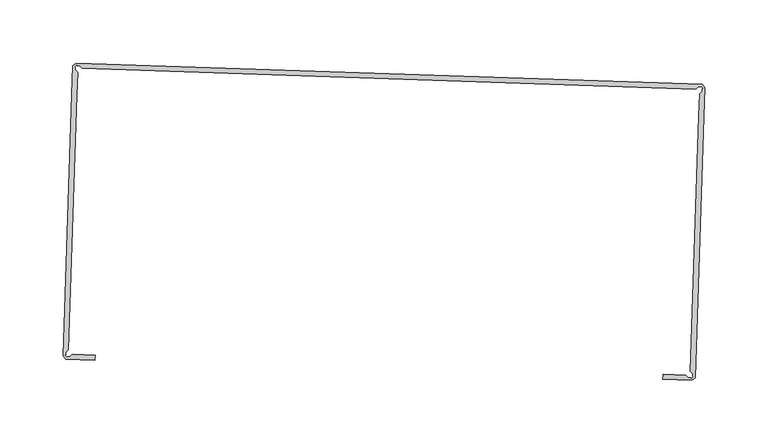
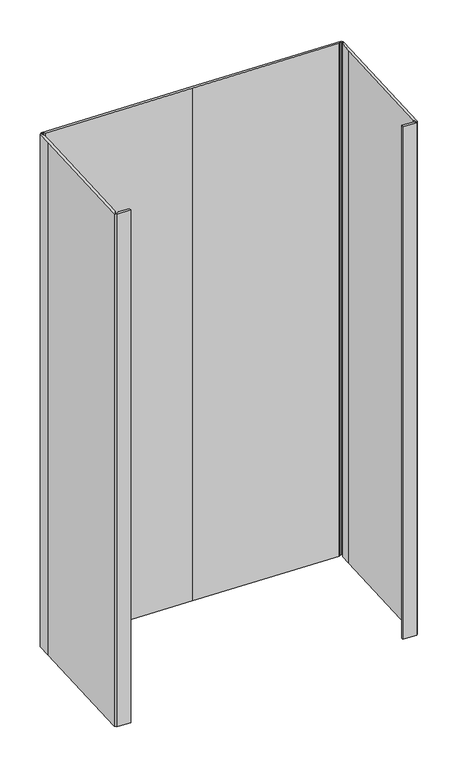
"""IFC4 building model written with IfcOpenShell, lengths in millimetres: proxy geometry."""

from ifc_helpers import new_model, si_unit, frame, origin, place, context, project, spatial, polyline, outline, extrude, source, transform, mapped, element, save


def generic_models_f62017c9(model_context):
    return source(origin(), model_context, "Body", "SweptSolid", [
        extrude(outline(polyline([(35051.1794479, -15434.7508827), (35058.0958562, -15232.6455676), (35058.7141424, -15214.5563556), (35060.7453924, -15212.6598713), (35060.8098456, -15210.7565509), (35061.4641424, -15210.1452228), (35060.0774237, -15208.6598713), (35059.4231268, -15209.2702228), (35057.5188299, -15209.2057697), (35055.4895331, -15211.1022541), (34812.1203924, -15202.7731525), (34568.7512518, -15194.4450275), (34566.8547674, -15192.4137775), (34564.9504706, -15192.3493244), (34564.3391424, -15191.6950275), (34562.8528143, -15193.0827228), (34563.4641424, -15193.7360431), (34563.3996893, -15195.64034), (34565.2961737, -15197.6706134), (34564.6763191, -15215.7598612), (34557.7599105, -15417.8651763), (34555.7291825, -15419.7615129), (34555.6640351, -15421.6652005), (34555.0099122, -15422.2760341), (34556.3974895, -15423.7619473), (34557.0516124, -15423.1511137), (34558.9552998, -15423.2162614), (34560.9860275, -15421.3199248), (34579.0754175, -15421.9389764), (34578.9396088, -15425.9074622), (34555.9223919, -15425.1197711), (34553.6227857, -15422.6571947), (34560.7078332, -15215.6240525), (34561.4953924, -15192.6071369), (34563.9582831, -15190.3073322), (34812.2551581, -15198.8044025), (35060.5520331, -15207.3024494), (35062.8528143, -15209.7643634), (35062.0643418, -15232.7813763), (35054.9792945, -15439.8145185), (35052.5167178, -15442.1141248), (35029.4995009, -15441.3264342), (35029.6353096, -15437.3579483), (35047.7246994, -15437.9769999), (35049.621036, -15440.0077277), (35051.5247236, -15440.0728753), (35052.135557, -15440.726998), (35053.6214705, -15439.3394209), (35053.0106368, -15438.685298), (35053.0757845, -15436.7816104), (35051.1794479, -15434.7508827)])), frame((0.0, 0.0, 1597.975708), z_axis=(0.0, 0.0, 1.0), x_axis=(1.0, 0.0, 0.0)), (0.0, 0.0, 1.0), 914.4),
    ])


if __name__ == "__main__":
    model = new_model("IFC4")
    model_context = context("Model", 3, world=origin())
    ifc_project = project(units=[si_unit("LENGTHUNIT", "METRE", prefix="MILLI")], contexts=[model_context])
    site = spatial("IfcSite", under=ifc_project)
    building = spatial("IfcBuilding", under=site)
    placement = place(None, origin())
    generic_models_shape = generic_models_f62017c9(model_context)
    element("IfcBuildingElementProxy", 1, Name="Generic Models", at=placement, inside=building, context=model_context, shape_type="MappedRepresentation", body=[
        mapped(generic_models_shape, transform((0.0, 0.0, 0.0), x_axis=(1.0, 0.0, 0.0), y_axis=(0.0, 1.0, 0.0), z_axis=(0.0, 0.0, 1.0))),
    ])
    save(model, "model.ifc")
